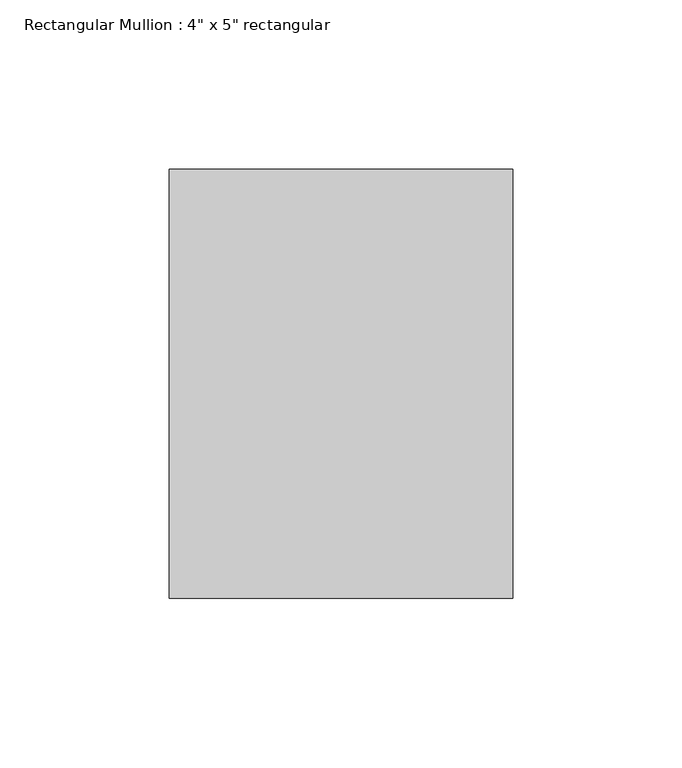
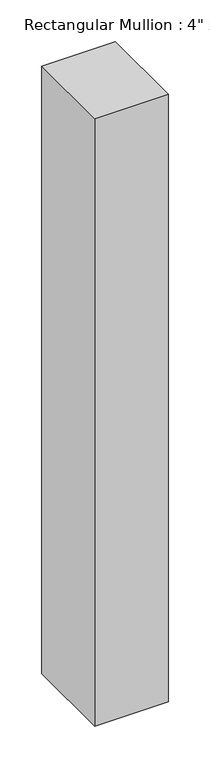
"""IFC4 building model written with IfcOpenShell, lengths in millimetres: member geometry."""

from ifc_helpers import new_model, si_unit, frame, origin, place, context, project, spatial, polyline, outline, extrude, source, transform, mapped, element, save


def member_9539953e(model_context):
    return source(origin(), model_context, "Body", "SweptSolid", [
        extrude(outline(polyline([(50.8, 63.5), (50.8, -63.5), (-50.8, -63.5), (-50.8, 63.5), (50.8, 63.5)])), frame((0.0, 0.0, -889.0), z_axis=(0.0, 0.0, 1.0), x_axis=(1.0, 0.0, 0.0)), (0.0, 0.0, 1.0), 889.0),
    ])


if __name__ == "__main__":
    model = new_model("IFC4")
    model_context = context("Model", 3, world=origin())
    ifc_project = project(units=[si_unit("LENGTHUNIT", "METRE", prefix="MILLI")], contexts=[model_context])
    site = spatial("IfcSite", under=ifc_project)
    building = spatial("IfcBuilding", under=site)
    placement = place(None, origin())
    member_shape = member_9539953e(model_context)
    element("IfcMember", 1, ObjectType="Rectangular Mullion : 4\" x 5\" rectangular", at=placement, inside=building, context=model_context, shape_type="MappedRepresentation", body=[
        mapped(member_shape, transform((0.0, 0.0, 0.0), x_axis=(1.0, 0.0, 0.0), y_axis=(0.0, 1.0, 0.0), z_axis=(0.0, 0.0, 1.0))),
    ])
    save(model, "model.ifc")
